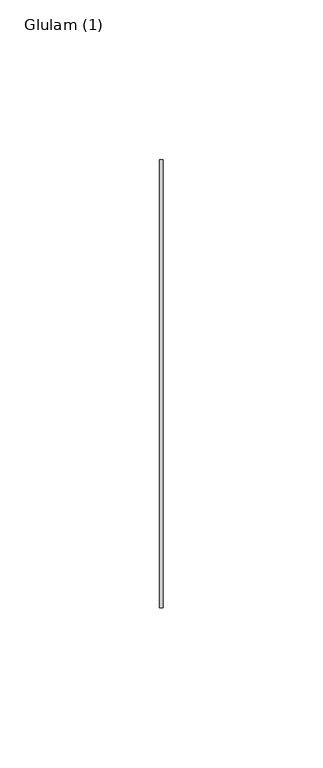
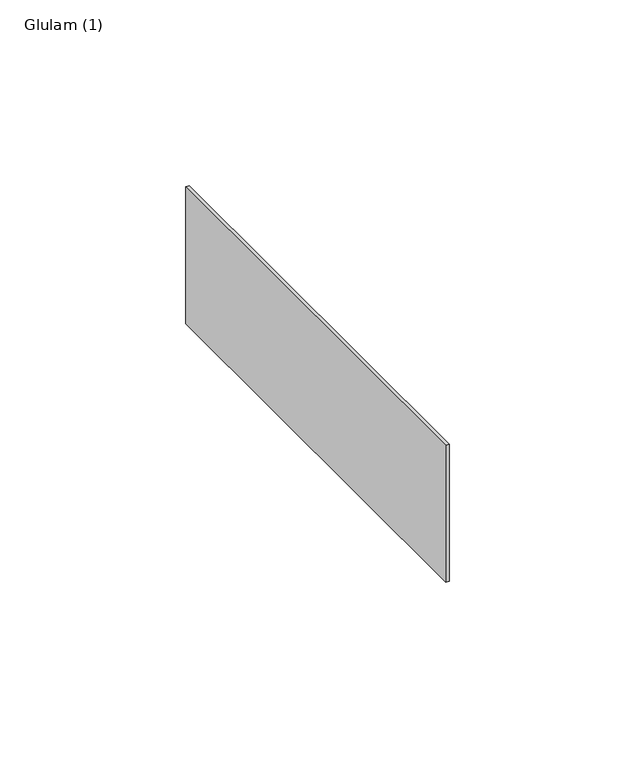
"""IFC4 building model written with IfcOpenShell, lengths in millimetres: beam geometry, Glulam (1)."""

from ifc_helpers import new_model, si_unit, frame, origin, place, context, project, spatial, polyline, outline, extrude, source, transform, mapped, element, save


def glulam_1_aa64f491(model_context):
    return source(origin(), model_context, "Body", "SweptSolid", [
        extrude(outline(polyline([(48.5, -70.0), (48.5, 70.0), (49.5, 70.0), (49.5, -70.0), (48.5, -70.0)])), frame((0.0, 0.0, -22.5), z_axis=(0.0, 0.0, 1.0), x_axis=(1.0, 0.0, 0.0)), (0.0, 0.0, 1.0), 45.0),
    ])


if __name__ == "__main__":
    model = new_model("IFC4")
    model_context = context("Model", 3, world=origin())
    ifc_project = project(units=[si_unit("LENGTHUNIT", "METRE", prefix="MILLI")], contexts=[model_context])
    site = spatial("IfcSite", under=ifc_project)
    building = spatial("IfcBuilding", under=site)
    placement = place(None, origin())
    glulam_1_shape = glulam_1_aa64f491(model_context)
    element("IfcBeam", 1, ObjectType="Glulam (1)", at=placement, inside=building, context=model_context, shape_type="MappedRepresentation", body=[
        mapped(glulam_1_shape, transform((0.0, 0.0, 0.0), x_axis=(1.0, 0.0, 0.0), y_axis=(0.0, 1.0, 0.0), z_axis=(0.0, 0.0, 1.0))),
    ])
    save(model, "model.ifc")
